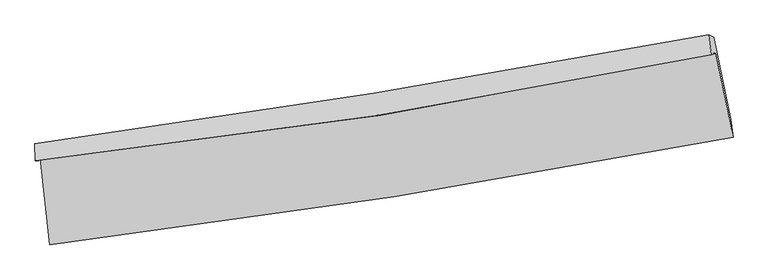
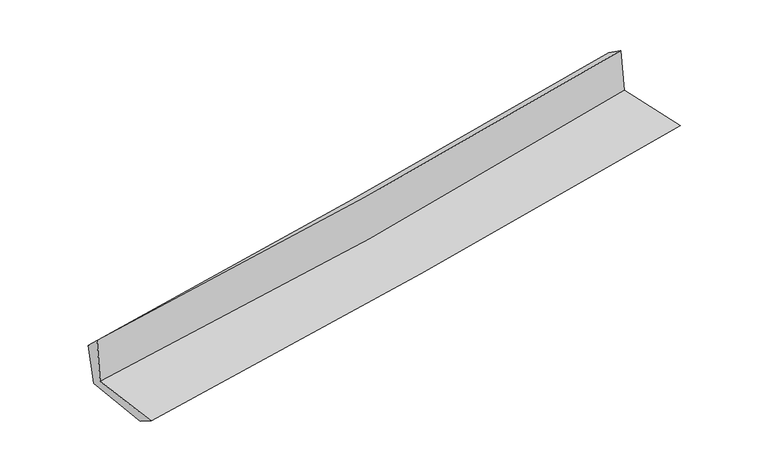
"""IFC4 building model written with IfcOpenShell, lengths in millimetres: proxy geometry."""

from ifc_helpers import new_model, si_unit, frame, origin, place, context, project, spatial, source, transform, mapped, element, save
from ifc_brep_helpers import plane_surface, spline_curve, spline_surface, advanced_brep


def generic_models_550ceab2(model_context):
    return source(origin(), model_context, "Body", "AdvancedBrep", [
        advanced_brep(
        [(-2642.8509855, -1883.9657088, 1638.7748552), (-2566.1067013, -2553.1478257, 1635.5769751), (2716.2622089, -1722.2132184, 2119.1377848), (2583.4778409, -1070.7229649, 2109.5058114), (-2679.392869, -1901.4221231, 2051.8111895), (2547.3171256, -1081.0738137, 2509.7565122), (-2682.7757382, -1769.2390536, 1926.2216091), (2526.3256448, -929.4031143, 2403.7899599), (-2646.0591456, -1793.0559616, 1561.8486473), (2567.0249365, -948.8482081, 2020.020364), (-2575.1274649, -2396.4640564, 1540.4161589), (2697.7178742, -1579.9492167, 2007.770393)],
        [
            (0, 1),
            (1, 2, spline_curve(3, [(-2566.1067013, -2553.1478257, 1635.5769751), (-1678.931283044, -2444.29811014, 1726.584791578), (-793.460175286, -2320.304459306, 1812.52094535), (967.303450051, -2043.095129669, 1973.630478296), (1842.62197945, -1890.110578088, 2048.881260786), (2716.2622089, -1722.2132184, 2119.1377848)], [4, 2, 4], [0.0, 8.795675808734629, 17.52397361396776])),
            (2, 3),
            (3, 0, spline_curve(3, [(2583.4778409, -1070.7229649, 2109.5058114), (1723.342974724, -1255.628846048, 2034.399507632), (859.437255142, -1415.687350047, 1957.775460147), (-882.61391076, -1687.153363226, 1800.88866452), (-1760.817799904, -1798.175774244, 1720.602392924), (-2642.8509855, -1883.9657088, 1638.7748552)], [4, 2, 4], [0.0, 8.728297805233133, 17.52397361396776])),
            (4, 0),
            (3, 5),
            (5, 4, spline_curve(3, [(2547.3171256, -1081.0738137, 2509.7565122), (1685.483990988, -1260.464336812, 2443.9030707), (820.694352036, -1418.342144555, 2372.980534812), (-921.496491099, -1692.124997144, 2220.410657593), (-1798.94351733, -1807.696626179, 2138.684752506), (-2679.392869, -1901.4221231, 2051.8111895)], [4, 2, 4], [0.0, 8.681350295201876, 17.429716183093213])),
            (6, 4),
            (5, 7),
            (7, 6, spline_curve(3, [(2526.3256448, -929.4031143, 2403.7899599), (1664.731666815, -1090.626299818, 2331.858244483), (801.518188412, -1240.9970179, 2256.26218455), (-934.823839539, -1521.110528975, 2097.129526591), (-1807.977488528, -1650.685123849, 2013.536136081), (-2682.7757382, -1769.2390536, 1926.2216091)], [4, 2, 4], [0.0, 8.669544690147099, 17.40601383973907])),
            (8, 6),
            (7, 9),
            (9, 8, spline_curve(3, [(2567.0249365, -948.8482081, 2020.020364), (1704.721854995, -1112.331949737, 1954.680726634), (840.823117043, -1264.198813126, 1883.997359132), (-896.846846556, -1545.781442769, 1731.356273684), (-1770.642802819, -1675.317163681, 1649.315735701), (-2646.0591456, -1793.0559616, 1561.8486473)], [4, 2, 4], [0.0, 8.660748342322721, 17.388353240775405])),
            (10, 8),
            (9, 11),
            (11, 10, spline_curve(3, [(2697.7178742, -1579.9492167, 2007.770393), (1824.610104762, -1738.669480207, 1939.098200416), (950.34636901, -1885.855416581, 1865.982811938), (-807.250828433, -2158.205795192, 1710.26693018), (-1690.602205658, -2283.191472272, 1627.597574031), (-2575.1274649, -2396.4640564, 1540.4161589)], [4, 2, 4], [0.0, 8.708314470945503, 17.483852684252742])),
            (1, 10),
            (11, 2),
        ],
        [
            spline_surface(3, 3, [[(-2642.8509855, -1883.9657088, 1638.7748552), (-1760.817800048, -1798.175774174, 1720.602392894), (-882.613910781, -1687.153363364, 1800.888664385), (859.437255163, -1415.687349909, 1957.775460281), (1723.342974742, -1255.628846113, 2034.399507496), (2583.4778409, -1070.7229649, 2109.5058114)], [(-2617.269557434, -2107.026414427, 1637.708895161), (-1733.522294334, -2013.549886191, 1722.596525739), (-852.895998979, -1898.203728687, 1804.766091409), (895.392653481, -1624.823276505, 1963.060466249), (1763.102642957, -1467.122756806, 2039.226758565), (2627.739296922, -1287.886382735, 2112.716469203)], [(-2591.688129366, -2330.087120073, 1636.642935139), (-1706.226788617, -2228.923998228, 1724.5906586), (-823.178087165, -2109.254093983, 1808.643518436), (931.348051809, -1833.959203073, 1968.345472219), (1802.862311106, -1678.616667494, 2044.054009626), (2672.000752878, -1505.049800565, 2115.927126997)], [(-2566.1067013, -2553.1478257, 1635.5769751), (-1678.931282903, -2444.298110246, 1726.584791445), (-793.460175363, -2320.304459306, 1812.52094546), (967.303450127, -2043.095129669, 1973.630478187), (1842.621979321, -1890.110578188, 2048.881260695), (2716.2622089, -1722.2132184, 2119.1377848)]], [4, 4], [4, 2, 4], [0.0, 2.093471687854856], [0.0, 8.795675808734629, 17.52397361396776]),
            spline_surface(3, 3, [[(-2679.392869, -1901.4221231, 2051.8111895), (-1798.943517208, -1807.696626158, 2138.684752588), (-921.496491163, -1692.124997237, 2220.41065762), (820.6943521, -1418.342144462, 2372.980534785), (1685.483990958, -1260.464336894, 2443.903070699), (2547.3171256, -1081.0738137, 2509.7565122)], [(-2667.212241161, -1895.603318357, 1914.132411389), (-1786.234944816, -1804.523008854, 1999.323966012), (-908.535631024, -1690.467785931, 2080.569993218), (833.608653132, -1417.457212929, 2234.578843294), (1698.10365222, -1258.852506632, 2307.40188299), (2559.370697368, -1077.623530765, 2376.339611959)], [(-2655.031613339, -1889.784513543, 1776.453633311), (-1773.526372441, -1801.349391478, 1859.96317947), (-895.57477092, -1688.810574671, 1940.729328787), (846.522954131, -1416.572281442, 2096.177151773), (1710.723313479, -1257.240676374, 2170.900695205), (2571.424269132, -1074.173247835, 2242.922711641)], [(-2642.8509855, -1883.9657088, 1638.7748552), (-1760.817800048, -1798.175774174, 1720.602392894), (-882.613910781, -1687.153363364, 1800.888664385), (859.437255163, -1415.687349909, 1957.775460281), (1723.342974742, -1255.628846113, 2034.399507496), (2583.4778409, -1070.7229649, 2109.5058114)]], [4, 4], [4, 2, 4], [0.0, 1.37532213441707], [0.0, 8.748365887891337, 17.429716183093213]),
            spline_surface(3, 3, [[(-2682.7757382, -1769.2390536, 1926.2216091), (-1807.977488517, -1650.685123815, 2013.536135993), (-934.823839429, -1521.110528854, 2097.129526489), (801.518188302, -1240.99701802, 2256.262184651), (1664.731666865, -1090.626299903, 2331.85824444), (2526.3256448, -929.4031143, 2403.7899599)], [(-2681.648115132, -1813.300076756, 1968.084802566), (-1804.966164746, -1703.022291252, 2055.252341524), (-930.381390001, -1578.115351668, 2138.223236864), (807.910242907, -1300.112060187, 2295.168301361), (1671.649108204, -1147.238978911, 2369.206519845), (2533.322805042, -979.960014111, 2439.112143986)], [(-2680.520492068, -1857.361099944, 2009.947996034), (-1801.954840979, -1755.359458721, 2096.968547057), (-925.938940591, -1635.120174423, 2179.316947245), (814.302297494, -1359.227102295, 2334.074418076), (1678.566549618, -1203.851657885, 2406.554795294), (2540.319965358, -1030.516913889, 2474.434328114)], [(-2679.392869, -1901.4221231, 2051.8111895), (-1798.943517208, -1807.696626158, 2138.684752588), (-921.496491163, -1692.124997237, 2220.41065762), (820.6943521, -1418.342144462, 2372.980534785), (1685.483990958, -1260.464336894, 2443.903070699), (2547.3171256, -1081.0738137, 2509.7565122)]], [4, 4], [4, 2, 4], [0.0, 0.6959660109514786], [0.0, 8.736469149591972, 17.40601383973907]),
            spline_surface(3, 3, [[(-2646.0591456, -1793.0559616, 1561.8486473), (-1770.642802727, -1675.317163675, 1649.315735663), (-896.846846582, -1545.781442694, 1731.356273699), (840.823117069, -1264.198813201, 1883.997359118), (1704.721854938, -1112.331949685, 1954.6807266), (2567.0249365, -948.8482081, 2020.020364)], [(-2658.298009802, -1785.116992282, 1683.30630126), (-1783.087697993, -1667.106483737, 1770.722535799), (-909.505844188, -1537.55780472, 1853.280691276), (827.721474156, -1256.464881446, 2008.085634276), (1691.391792243, -1105.096733097, 2080.406565873), (2553.45850593, -942.366510173, 2147.943562627)], [(-2670.536873998, -1777.178022918, 1804.76395514), (-1795.532593251, -1658.895803753, 1892.129335857), (-922.164841823, -1529.334166828, 1975.205108912), (814.619831215, -1248.730949775, 2132.173909493), (1678.06172956, -1097.86151649, 2206.132405167), (2539.89207537, -935.884812227, 2275.866761273)], [(-2682.7757382, -1769.2390536, 1926.2216091), (-1807.977488517, -1650.685123815, 2013.536135993), (-934.823839429, -1521.110528854, 2097.129526489), (801.518188302, -1240.99701802, 2256.262184651), (1664.731666865, -1090.626299903, 2331.85824444), (2526.3256448, -929.4031143, 2403.7899599)]], [4, 4], [4, 2, 4], [0.0, 1.2197606502753133], [0.0, 8.727604898452684, 17.388353240775405]),
            spline_surface(3, 3, [[(-2575.1274649, -2396.4640564, 1540.4161589), (-1690.602205592, -2283.191472305, 1627.597574151), (-807.250828314, -2158.205795306, 1710.266930285), (950.346368892, -1885.855416468, 1865.982811834), (1824.610104655, -1738.669480292, 1939.09820034), (2697.7178742, -1579.9492167, 2007.770393)], [(-2598.771358462, -2195.328024773, 1547.560321698), (-1717.282404632, -2080.566702735, 1634.836961319), (-837.116167749, -1954.06434445, 1717.296711437), (913.838618272, -1678.636548726, 1871.987660942), (1784.647354768, -1529.890303424, 1944.292375752), (2654.153561651, -1369.582213834, 2011.853716659)], [(-2622.415252038, -1994.191993227, 1554.704484502), (-1743.962603687, -1877.941933245, 1642.076348494), (-866.981507147, -1749.922893551, 1724.326492548), (877.330867689, -1471.417680942, 1877.99251001), (1744.684604826, -1321.111126553, 1949.486551188), (2610.589249049, -1159.215210966, 2015.937040341)], [(-2646.0591456, -1793.0559616, 1561.8486473), (-1770.642802727, -1675.317163675, 1649.315735663), (-896.846846582, -1545.781442694, 1731.356273699), (840.823117069, -1264.198813201, 1883.997359118), (1704.721854938, -1112.331949685, 1954.6807266), (2567.0249365, -948.8482081, 2020.020364)]], [4, 4], [4, 2, 4], [0.0, 2.0514427468832435], [0.0, 8.77553821330724, 17.483852684252742]),
            spline_surface(3, 3, [[(-2566.1067013, -2553.1478257, 1635.5769751), (-1678.931282903, -2444.298110246, 1726.584791445), (-793.460175363, -2320.304459306, 1812.52094546), (967.303450127, -2043.095129669, 1973.630478187), (1842.621979321, -1890.110578188, 2048.881260695), (2716.2622089, -1722.2132184, 2119.1377848)], [(-2569.113622509, -2500.919902604, 1603.856703026), (-1682.821590474, -2390.595897603, 1693.58905234), (-798.057059691, -2266.271571306, 1778.436273735), (961.651089705, -1990.681891936, 1937.747922736), (1836.618021087, -1839.630212203, 2012.286907244), (2710.080763988, -1674.791884481, 2082.015320867)], [(-2572.120543691, -2448.691979496, 1572.136430974), (-1686.71189802, -2336.893684948, 1660.593313256), (-802.653943986, -2212.238683305, 1744.35160201), (955.998729315, -1938.268654201, 1901.865367286), (1830.614062889, -1789.149846276, 1975.692553791), (2703.899319112, -1627.370550619, 2044.892856933)], [(-2575.1274649, -2396.4640564, 1540.4161589), (-1690.602205592, -2283.191472305, 1627.597574151), (-807.250828314, -2158.205795306, 1710.266930285), (950.346368892, -1885.855416468, 1865.982811834), (1824.610104655, -1738.669480292, 1939.09820034), (2697.7178742, -1579.9492167, 2007.770393)]], [4, 4], [4, 2, 4], [0.0, 0.6289162992101601], [0.0, 8.832081214267742, 17.596505546685716]),
            plane_surface(frame((2606.3542718, -1222.0350893, 2194.9968042), z_axis=(0.9753108873489146, 0.20016357253977554, 0.09329103518981229), x_axis=(-0.10532636593294997, 0.05032227778443472, 0.9931636446215419))),
            plane_surface(frame((-2632.0521507, -2049.5491215, 1725.7749058), z_axis=(-0.9892967863999231, -0.11301513407720397, -0.09230085529558608), x_axis=(-0.11393559909574444, 0.9934767935898583, 0.0047476159393984385))),
        ],
        [
            (0, [[1, 2, 3, 4]]),
            (1, [[5, -4, 6, 7]]),
            (2, [[8, -7, 9, 10]]),
            (3, [[11, -10, 12, 13]]),
            (4, [[14, -13, 15, 16]]),
            (5, [[17, -16, 18, -2]]),
            (6, [[-12, -9, -6, -3, -18, -15]]),
            (7, [[-1, -5, -8, -11, -14, -17]]),
        ],
    ),
    ])


if __name__ == "__main__":
    model = new_model("IFC4")
    model_context = context("Model", 3, world=origin())
    ifc_project = project(units=[si_unit("LENGTHUNIT", "METRE", prefix="MILLI")], contexts=[model_context])
    site = spatial("IfcSite", under=ifc_project)
    building = spatial("IfcBuilding", under=site)
    placement = place(None, origin())
    generic_models_shape = generic_models_550ceab2(model_context)
    element("IfcBuildingElementProxy", 1, Name="Generic Models", at=placement, inside=building, context=model_context, shape_type="MappedRepresentation", body=[
        mapped(generic_models_shape, transform((0.0, 0.0, 0.0), x_axis=(1.0, 0.0, 0.0), y_axis=(0.0, 1.0, 0.0), z_axis=(0.0, 0.0, 1.0))),
    ])
    save(model, "model.ifc")
